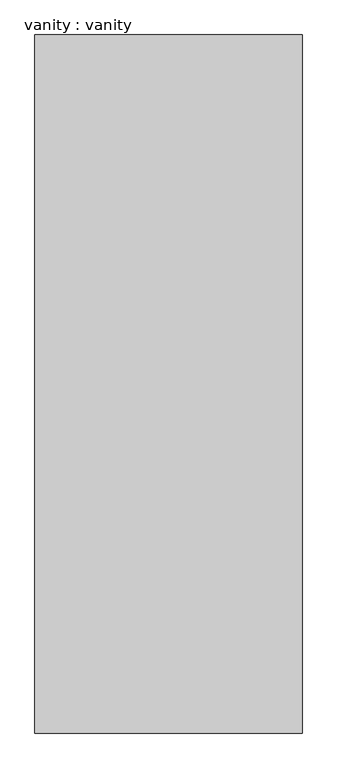
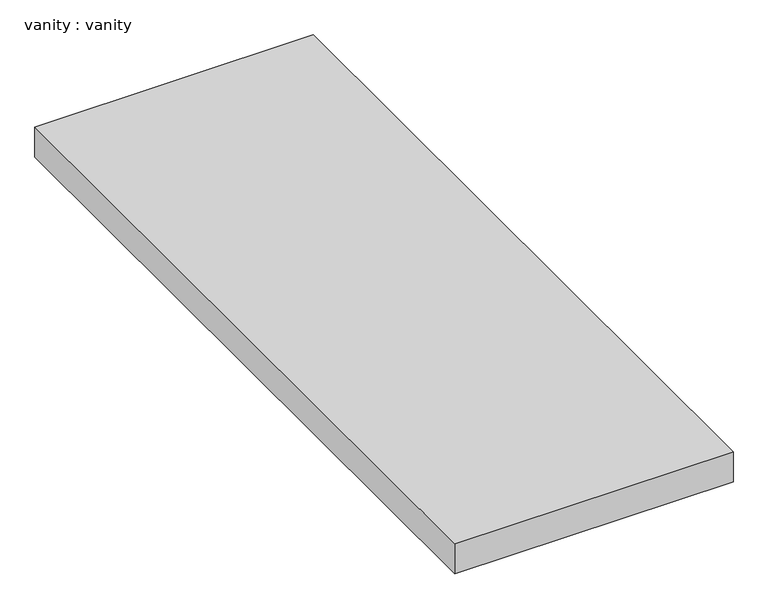
"""IFC4 building model written with IfcOpenShell, lengths in millimetres: furniture geometry, vanity : vanity."""

from ifc_helpers import new_model, si_unit, frame, origin, place, context, project, spatial, polyline, outline, extrude, source, transform, mapped, element, save


def vanity_vanity_1403a81f(model_context):
    return source(origin(), model_context, "Body", "SweptSolid", [
        extrude(outline(polyline([(-5062.6849075, 2713.9720312), (-5062.6849075, 967.7220312), (-5730.8930445, 967.7220312), (-5730.8930445, 2713.9720312), (-5062.6849075, 2713.9720312)])), frame((0.0, 0.0, 40462.2), z_axis=(0.0, 0.0, 1.0), x_axis=(1.0, 0.0, 0.0)), (0.0, 0.0, 1.0), 76.2),
    ])


if __name__ == "__main__":
    model = new_model("IFC4")
    model_context = context("Model", 3, world=origin())
    ifc_project = project(units=[si_unit("LENGTHUNIT", "METRE", prefix="MILLI")], contexts=[model_context])
    site = spatial("IfcSite", under=ifc_project)
    building = spatial("IfcBuilding", under=site)
    placement = place(None, origin())
    vanity_vanity_shape = vanity_vanity_1403a81f(model_context)
    element("IfcFurniture", 1, ObjectType="vanity : vanity", at=placement, inside=building, context=model_context, shape_type="MappedRepresentation", body=[
        mapped(vanity_vanity_shape, transform((0.0, 0.0, 0.0), x_axis=(1.0, 0.0, 0.0), y_axis=(0.0, 1.0, 0.0), z_axis=(0.0, 0.0, 1.0))),
    ])
    save(model, "model.ifc")
